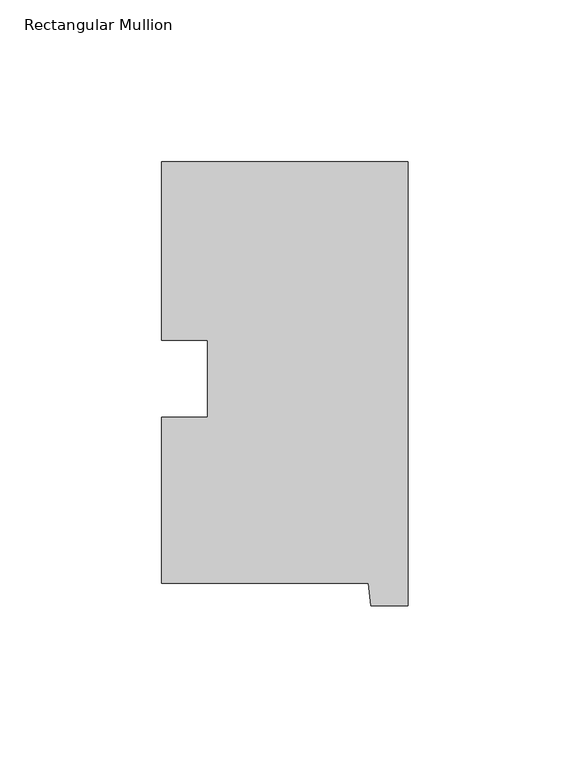
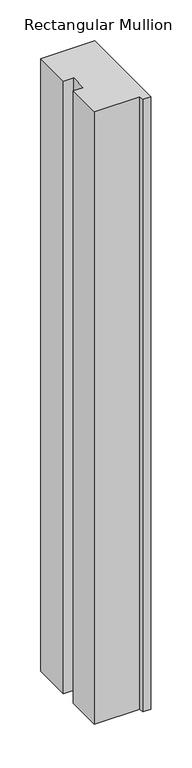
"""IFC4 building model written with IfcOpenShell, lengths in millimetres: member geometry, Rectangular Mullion."""

from ifc_helpers import new_model, si_unit, frame, origin, place, context, project, spatial, polyline, outline, extrude, source, transform, mapped, element, save


def rectangular_mullion_c932ae96(model_context):
    return source(origin(), model_context, "Body", "SweptSolid", [
        extrude(outline(polyline([(-76.2, 130.56235), (0.0, 130.56235), (0.0, -6.64845), (-11.4023812, -6.64845), (-12.1549448, 0.26035), (-76.2, 0.26035), (-76.2, 51.60645), (-61.960125, 51.60645), (-61.960125, 75.40625), (-76.2, 75.40625), (-76.2, 130.56235)])), frame((0.0, 0.0, -914.4), z_axis=(0.0, 0.0, 1.0), x_axis=(1.0, 0.0, 0.0)), (0.0, 0.0, 1.0), 914.4),
    ])


if __name__ == "__main__":
    model = new_model("IFC4")
    model_context = context("Model", 3, world=origin())
    ifc_project = project(units=[si_unit("LENGTHUNIT", "METRE", prefix="MILLI")], contexts=[model_context])
    site = spatial("IfcSite", under=ifc_project)
    building = spatial("IfcBuilding", under=site)
    placement = place(None, origin())
    rectangular_mullion_shape = rectangular_mullion_c932ae96(model_context)
    element("IfcMember", 1, ObjectType="Rectangular Mullion", at=placement, inside=building, context=model_context, shape_type="MappedRepresentation", body=[
        mapped(rectangular_mullion_shape, transform((0.0, 0.0, 0.0), x_axis=(1.0, 0.0, 0.0), y_axis=(0.0, 1.0, 0.0), z_axis=(0.0, 0.0, 1.0))),
    ])
    save(model, "model.ifc")
